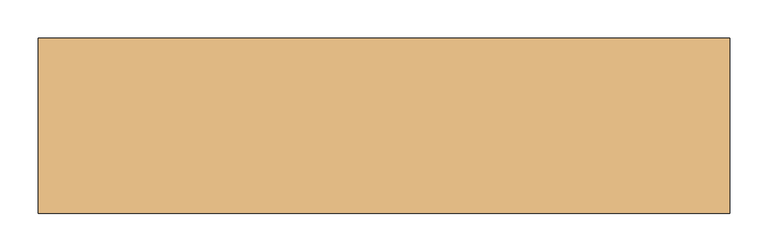
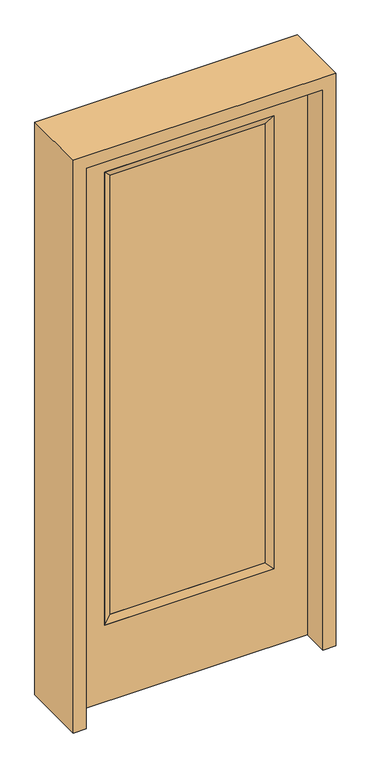
"""IFC4 building model written with IfcOpenShell, lengths in millimetres: door geometry."""

from ifc_helpers import new_model, si_unit, frame, origin, place, context, project, spatial, polyline, outline, extrude, faceted_brep, source, transform, mapped, element, save


def door_8e61e2f0(model_context):
    return source(origin(), model_context, "Body", "SolidModel", [
        extrude(outline(polyline([(265.5824, -12.7039749), (-265.5824, -12.7039749), (-265.5824, 14.2875), (265.5824, 14.2875), (265.5824, -12.7039749)])), frame((0.0, 0.0, 304.8), z_axis=(0.0, 0.0, 1.0), x_axis=(1.0, 0.0, 0.0)), (0.0, 0.0, 1.0), 1591.1576),
        faceted_brep([(265.5824, 14.2875, 1895.9576), (290.9824, 22.225, 1921.3576), (290.9824, 22.225, 279.4), (265.5824, 14.2875, 304.8), (290.9824, -22.225, 1921.3576), (290.9824, -22.225, 279.4), (-290.9824, 22.225, 279.4), (-265.5824, 14.2875, 304.8), (265.5824, -12.7039749, 1895.9576), (265.5824, -12.7039749, 304.8), (-265.5824, -12.7039749, 304.8), (-290.9824, -22.225, 279.4), (-290.9824, 22.225, 1921.3576), (-265.5824, 14.2875, 1895.9576), (-265.5824, -12.7039749, 1895.9576), (-290.9824, -22.225, 1921.3576)], [[[0, 1, 2, 3]], [[1, 4, 5, 2]], [[3, 2, 6, 7]], [[8, 0, 3, 9]], [[9, 3, 7, 10]], [[4, 8, 9, 5]], [[5, 9, 10, 11]], [[2, 5, 11, 6]], [[7, 6, 12, 13]], [[10, 7, 13, 14]], [[11, 10, 14, 15]], [[6, 11, 15, 12]], [[13, 12, 1, 0]], [[14, 13, 0, 8]], [[15, 14, 8, 4]], [[12, 15, 4, 1]]]),
        extrude(outline(polyline([(0.0, -406.4), (0.0, 406.4), (2032.0, 406.4), (2032.0, -406.4), (0.0, -406.4)]), holes=[polyline([(279.4, -290.9824), (1921.3576, -290.9824), (1921.3576, 290.9824), (279.4, 290.9824), (279.4, -290.9824)])]), frame((0.0, -22.225, 0.0), z_axis=(0.0, 1.0, 0.0), x_axis=(0.0, 0.0, 1.0)), (0.0, 0.0, 1.0), 44.45),
        extrude(outline(polyline([(0.0, -450.85), (0.0, -406.4), (2032.0, -406.4), (2032.0, 406.4), (0.0, 406.4), (0.0, 450.85), (2076.45, 450.85), (2076.45, -450.85), (0.0, -450.85)])), frame((0.0, -114.3, 0.0), z_axis=(0.0, 1.0, 0.0), x_axis=(0.0, 0.0, 1.0)), (0.0, 0.0, 1.0), 228.6),
    ])


if __name__ == "__main__":
    model = new_model("IFC4")
    model_context = context("Model", 3, world=origin())
    ifc_project = project(units=[si_unit("LENGTHUNIT", "METRE", prefix="MILLI")], contexts=[model_context])
    site = spatial("IfcSite", under=ifc_project)
    building = spatial("IfcBuilding", under=site)
    placement = place(None, origin())
    door_shape = door_8e61e2f0(model_context)
    element("IfcDoor", 1, at=placement, inside=building, context=model_context, shape_type="MappedRepresentation", body=[
        mapped(door_shape, transform((0.0, 0.0, 0.0), x_axis=(1.0, 0.0, 0.0), y_axis=(0.0, 1.0, 0.0), z_axis=(0.0, 0.0, 1.0))),
    ])
    save(model, "model.ifc")
